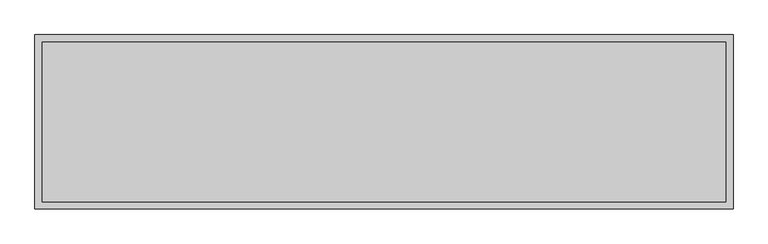
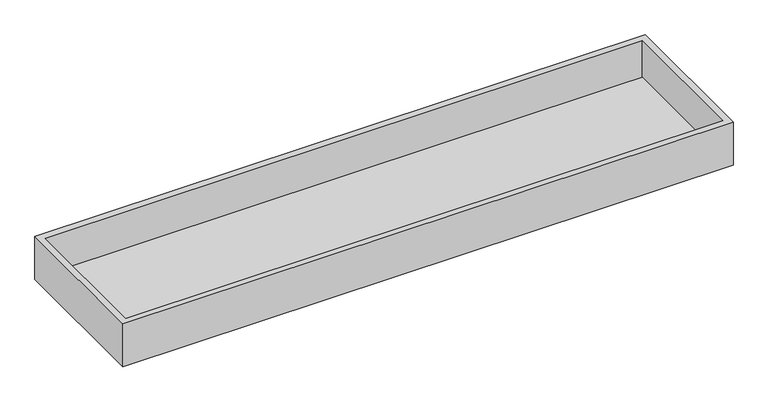
"""IFC4 building model written with IfcOpenShell, lengths in millimetres: light fixture geometry."""

import ifcopenshell
import ifcopenshell.guid

model = None  # the IFC model being written
_history = None  # IfcOwnerHistory: only IFC2X3 demands one
_inside = {}  # id of a spatial element -> (the spatial element, [elements in it])
_under = {}  # id of a project, library or spatial element -> (it, [spatial elements below it])
_declared = {}  # id of a project -> (the project, [libraries it declares])
_typed = {}  # id of a type object -> (the type object, [elements of that type])
_made_of = {}  # id of a material, layer set ... -> (it, [elements and type objects made of it])


def new_model(schema):
    """Start an empty IFC model of exactly this schema.

    Asked for "IFC4X3", IfcOpenShell would pick the latest addendum, in which some entities
    have other attributes; the version numbers below select the first issue.
    IFC2X3 requires an IfcOwnerHistory on every rooted entity: one is made here for all.
    """
    global model, _history
    if schema == "IFC4X3":
        model = ifcopenshell.file(schema_version=(4, 3, 0, 0))
    else:
        model = ifcopenshell.file(schema=schema)
    _inside.clear()
    _under.clear()
    _declared.clear()
    _typed.clear()
    _made_of.clear()
    _history = None
    if model.schema == "IFC2X3":
        org = make("IfcOrganization", Name="unknown")
        user = make(
            "IfcPersonAndOrganization",
            ThePerson=make("IfcPerson", FamilyName="unknown"),
            TheOrganization=org,
        )
        app = make(
            "IfcApplication",
            ApplicationDeveloper=org,
            Version="unknown",
            ApplicationFullName="unknown",
            ApplicationIdentifier="unknown",
        )
        _history = make(
            "IfcOwnerHistory",
            OwningUser=user,
            OwningApplication=app,
            ChangeAction="ADDED",
            CreationDate=0,
        )
    return model


def make(cls, **values):
    """One entity of the class cls with the attributes given. An attribute that is None is left unset."""
    return model.create_entity(
        cls, **{name: value for name, value in values.items() if value is not None}
    )


def rooted(cls, **values):
    """An entity with a GlobalId (a new one), such as an element, a storey or a relation."""
    return make(cls, GlobalId=ifcopenshell.guid.new(), OwnerHistory=_history, **values)


def si_unit(unit_type, name, prefix=None):
    """IfcSIUnit, for example si_unit("LENGTHUNIT", "METRE", prefix="MILLI")."""
    return make("IfcSIUnit", UnitType=unit_type, Prefix=prefix, Name=name)


def assignment(units):
    """IfcUnitAssignment: the units of a project."""
    return None if units is None else make("IfcUnitAssignment", Units=units)


def point(xyz):
    """IfcCartesianPoint."""
    return None if xyz is None else make("IfcCartesianPoint", Coordinates=xyz)


def direction(xyz):
    """IfcDirection."""
    return None if xyz is None else make("IfcDirection", DirectionRatios=xyz)


def frame(location, z_axis=None, x_axis=None):
    """IfcAxis2Placement3D, a coordinate frame: its origin and axes. An axis left out is left unset."""
    return make(
        "IfcAxis2Placement3D",
        Location=point(location),
        Axis=direction(z_axis),
        RefDirection=direction(x_axis),
    )


def origin():
    """The frame at (0, 0, 0) with its axes left unset."""
    return frame((0.0, 0.0, 0.0))


def place(relative_to, where):
    """IfcLocalPlacement: puts the frame where relative to a parent placement (None: the world)."""
    return make(
        "IfcLocalPlacement", PlacementRelTo=relative_to, RelativePlacement=where
    )


def context(
    kind, dimensions, precision=None, world=None, true_north=None, identifier=None
):
    """IfcGeometricRepresentationContext, for example the 3D "Model" context."""
    return make(
        "IfcGeometricRepresentationContext",
        ContextIdentifier=identifier,
        ContextType=kind,
        CoordinateSpaceDimension=dimensions,
        Precision=precision,
        WorldCoordinateSystem=world,
        TrueNorth=true_north,
    )


def project(units=None, contexts=None):
    """IfcProject with its units and contexts."""
    return rooted(
        "IfcProject",
        Name="project",
        RepresentationContexts=contexts,
        UnitsInContext=assignment(units),
    )


def spatial(cls, under=None, at=None, **own):
    """A site, building, storey or space (cls), placed at a placement, below another one or the project."""
    s = rooted(cls, ObjectPlacement=at, **own)
    if under is not None:
        _under.setdefault(under.id(), (under, []))[1].append(s)
    return s


def polyline(points):
    """IfcPolyline through the points."""
    return make("IfcPolyline", Points=[point(p) for p in points])


def outline(outer, holes=None, kind="AREA"):
    """IfcArbitraryClosedProfileDef: a profile drawn as a closed curve; with holes, ...WithVoids."""
    if holes is None:
        return make("IfcArbitraryClosedProfileDef", ProfileType=kind, OuterCurve=outer)
    return make(
        "IfcArbitraryProfileDefWithVoids",
        ProfileType=kind,
        OuterCurve=outer,
        InnerCurves=holes,
    )


def extrude(swept, where, along, depth):
    """IfcExtrudedAreaSolid: the profile swept, set in the frame where, extruded along a direction by depth."""
    return make(
        "IfcExtrudedAreaSolid",
        SweptArea=swept,
        Position=where,
        ExtrudedDirection=direction(along),
        Depth=depth,
    )


def shape(context_of_items, identifier, shape_type, items):
    """IfcShapeRepresentation: the items that make up one representation, for example the "Body"."""
    return make(
        "IfcShapeRepresentation",
        ContextOfItems=context_of_items,
        RepresentationIdentifier=identifier,
        RepresentationType=shape_type,
        Items=items,
    )


def source(mapping_origin, context_of_items, identifier, shape_type, items):
    """IfcRepresentationMap: a shape defined once, which mapped items show again and again."""
    return make(
        "IfcRepresentationMap",
        MappingOrigin=mapping_origin,
        MappedRepresentation=shape(context_of_items, identifier, shape_type, items),
    )


def transform(
    local_origin,
    x_axis=None,
    y_axis=None,
    z_axis=None,
    scale=None,
    scale2=None,
    scale3=None,
    uniform=True,
):
    """IfcCartesianTransformationOperator3D, or its non-uniform kind. x_axis, y_axis, z_axis: its Axis1, 2, 3."""
    if uniform:
        return make(
            "IfcCartesianTransformationOperator3D",
            Axis1=direction(x_axis),
            Axis2=direction(y_axis),
            LocalOrigin=point(local_origin),
            Scale=scale,
            Axis3=direction(z_axis),
        )
    return make(
        "IfcCartesianTransformationOperator3DnonUniform",
        Axis1=direction(x_axis),
        Axis2=direction(y_axis),
        LocalOrigin=point(local_origin),
        Scale=scale,
        Axis3=direction(z_axis),
        Scale2=scale2,
        Scale3=scale3,
    )


def mapped(mapping_source, mapping_target):
    """IfcMappedItem: shows the shape of a source again, moved by a transform."""
    return make(
        "IfcMappedItem", MappingSource=mapping_source, MappingTarget=mapping_target
    )


def made_of(thing, what):
    """Note that an element or type object is made of a material, layer set ...; save() writes the relation."""
    if what is not None:
        _made_of.setdefault(what.id(), (what, []))[1].append(thing)
    return thing


def element(
    cls,
    number,
    at=None,
    inside=None,
    cuts=None,
    type_object=None,
    material=None,
    context=None,
    identifier="Body",
    shape_type=None,
    held_by="IfcProductDefinitionShape",
    body=None,
    shapes=None,
    **own,
):
    """One element of the class cls, such as IfcWall. Its Tag is "e" and its number.

    at: its placement. inside: the storey or other place that contains it. cuts: it is an
    opening in that element (IfcRelVoidsElement). A single representation is given by context,
    identifier, shape_type and body (its items); several are given by shapes. held_by: the class
    of the entity that holds the representations. save() writes the other relations.
    """
    e = rooted(cls, Tag="e%d" % number, ObjectPlacement=at, **own)
    if body is not None:
        shapes = [shape(context, identifier, shape_type, body)]
    if shapes is not None:
        e.Representation = make(held_by, Representations=shapes)
    if inside is not None:
        _inside.setdefault(inside.id(), (inside, []))[1].append(e)
    if cuts is not None:
        rooted(
            "IfcRelVoidsElement", RelatingBuildingElement=cuts, RelatedOpeningElement=e
        )
    if type_object is not None:
        _typed.setdefault(type_object.id(), (type_object, []))[1].append(e)
    return made_of(e, material)


def aggregate(whole, parts):
    """IfcRelAggregates: a whole, such as a stair, and the parts it consists of."""
    return rooted("IfcRelAggregates", RelatingObject=whole, RelatedObjects=parts)


def save(model, path):
    """Write the relations noted so far, then the file.

    IfcRelAggregates (storeys below a building ...), IfcRelContainedInSpatialStructure (elements
    in a storey), IfcRelDefinesByType, IfcRelAssociatesMaterial and IfcRelDeclares: one each for
    every whole, place, type object, material and project.
    """
    for whole, parts in _under.values():
        aggregate(whole, parts)
    for where, things in _inside.values():
        rooted(
            "IfcRelContainedInSpatialStructure",
            RelatedElements=things,
            RelatingStructure=where,
        )
    for kind, things in _typed.values():
        rooted("IfcRelDefinesByType", RelatedObjects=things, RelatingType=kind)
    for what, things in _made_of.values():
        rooted("IfcRelAssociatesMaterial", RelatedObjects=things, RelatingMaterial=what)
    for by, libraries in _declared.values():
        rooted("IfcRelDeclares", RelatingContext=by, RelatedDefinitions=libraries)
    model.write(path)


def light_fixture_2af44166(model_context):
    return source(origin(), model_context, "Body", "SweptSolid", [
        extrude(outline(polyline([(587.3, 137.3), (587.3, -137.3), (-587.3, -137.3), (-587.3, 137.3), (587.3, 137.3)])), frame((0.0, 0.0, 2355.85), z_axis=(0.0, 0.0, 1.0), x_axis=(1.0, 0.0, 0.0)), (0.0, 0.0, 1.0), 6.35),
        extrude(outline(polyline([(600.0, 150.0), (600.0, -150.0), (-600.0, -150.0), (-600.0, 150.0), (600.0, 150.0)]), holes=[polyline([(587.3, 137.3), (-587.3, 137.3), (-587.3, -137.3), (587.3, -137.3), (587.3, 137.3)])]), frame((0.0, 0.0, 2349.5), z_axis=(0.0, 0.0, 1.0), x_axis=(1.0, 0.0, 0.0)), (0.0, 0.0, 1.0), 88.9),
    ])


if __name__ == "__main__":
    model = new_model("IFC4")
    model_context = context("Model", 3, world=origin())
    ifc_project = project(units=[si_unit("LENGTHUNIT", "METRE", prefix="MILLI")], contexts=[model_context])
    site = spatial("IfcSite", under=ifc_project)
    building = spatial("IfcBuilding", under=site)
    placement = place(None, origin())
    light_fixture_shape = light_fixture_2af44166(model_context)
    element("IfcLightFixture", 1, at=placement, inside=building, context=model_context, shape_type="MappedRepresentation", body=[
        mapped(light_fixture_shape, transform((0.0, 0.0, 0.0), x_axis=(1.0, 0.0, 0.0), y_axis=(0.0, 1.0, 0.0), z_axis=(0.0, 0.0, 1.0))),
    ])
    save(model, "model.ifc")
